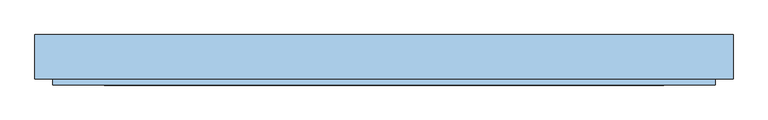
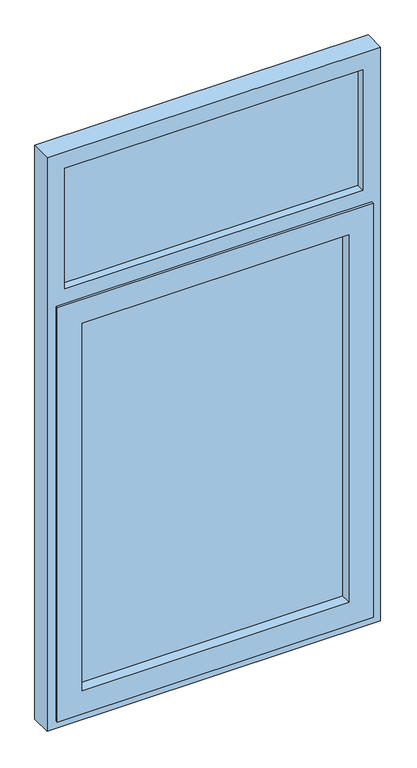
"""IFC4 building model written with IfcOpenShell, lengths in millimetres: window geometry."""

import ifcopenshell
import ifcopenshell.guid

model = None  # the IFC model being written
_history = None  # IfcOwnerHistory: only IFC2X3 demands one
_inside = {}  # id of a spatial element -> (the spatial element, [elements in it])
_under = {}  # id of a project, library or spatial element -> (it, [spatial elements below it])
_declared = {}  # id of a project -> (the project, [libraries it declares])
_typed = {}  # id of a type object -> (the type object, [elements of that type])
_made_of = {}  # id of a material, layer set ... -> (it, [elements and type objects made of it])


def new_model(schema):
    """Start an empty IFC model of exactly this schema.

    Asked for "IFC4X3", IfcOpenShell would pick the latest addendum, in which some entities
    have other attributes; the version numbers below select the first issue.
    IFC2X3 requires an IfcOwnerHistory on every rooted entity: one is made here for all.
    """
    global model, _history
    if schema == "IFC4X3":
        model = ifcopenshell.file(schema_version=(4, 3, 0, 0))
    else:
        model = ifcopenshell.file(schema=schema)
    _inside.clear()
    _under.clear()
    _declared.clear()
    _typed.clear()
    _made_of.clear()
    _history = None
    if model.schema == "IFC2X3":
        org = make("IfcOrganization", Name="unknown")
        user = make(
            "IfcPersonAndOrganization",
            ThePerson=make("IfcPerson", FamilyName="unknown"),
            TheOrganization=org,
        )
        app = make(
            "IfcApplication",
            ApplicationDeveloper=org,
            Version="unknown",
            ApplicationFullName="unknown",
            ApplicationIdentifier="unknown",
        )
        _history = make(
            "IfcOwnerHistory",
            OwningUser=user,
            OwningApplication=app,
            ChangeAction="ADDED",
            CreationDate=0,
        )
    return model


def make(cls, **values):
    """One entity of the class cls with the attributes given. An attribute that is None is left unset."""
    return model.create_entity(
        cls, **{name: value for name, value in values.items() if value is not None}
    )


def rooted(cls, **values):
    """An entity with a GlobalId (a new one), such as an element, a storey or a relation."""
    return make(cls, GlobalId=ifcopenshell.guid.new(), OwnerHistory=_history, **values)


def si_unit(unit_type, name, prefix=None):
    """IfcSIUnit, for example si_unit("LENGTHUNIT", "METRE", prefix="MILLI")."""
    return make("IfcSIUnit", UnitType=unit_type, Prefix=prefix, Name=name)


def assignment(units):
    """IfcUnitAssignment: the units of a project."""
    return None if units is None else make("IfcUnitAssignment", Units=units)


def point(xyz):
    """IfcCartesianPoint."""
    return None if xyz is None else make("IfcCartesianPoint", Coordinates=xyz)


def direction(xyz):
    """IfcDirection."""
    return None if xyz is None else make("IfcDirection", DirectionRatios=xyz)


def frame(location, z_axis=None, x_axis=None):
    """IfcAxis2Placement3D, a coordinate frame: its origin and axes. An axis left out is left unset."""
    return make(
        "IfcAxis2Placement3D",
        Location=point(location),
        Axis=direction(z_axis),
        RefDirection=direction(x_axis),
    )


def origin():
    """The frame at (0, 0, 0) with its axes left unset."""
    return frame((0.0, 0.0, 0.0))


def place(relative_to, where):
    """IfcLocalPlacement: puts the frame where relative to a parent placement (None: the world)."""
    return make(
        "IfcLocalPlacement", PlacementRelTo=relative_to, RelativePlacement=where
    )


def context(
    kind, dimensions, precision=None, world=None, true_north=None, identifier=None
):
    """IfcGeometricRepresentationContext, for example the 3D "Model" context."""
    return make(
        "IfcGeometricRepresentationContext",
        ContextIdentifier=identifier,
        ContextType=kind,
        CoordinateSpaceDimension=dimensions,
        Precision=precision,
        WorldCoordinateSystem=world,
        TrueNorth=true_north,
    )


def project(units=None, contexts=None):
    """IfcProject with its units and contexts."""
    return rooted(
        "IfcProject",
        Name="project",
        RepresentationContexts=contexts,
        UnitsInContext=assignment(units),
    )


def spatial(cls, under=None, at=None, **own):
    """A site, building, storey or space (cls), placed at a placement, below another one or the project."""
    s = rooted(cls, ObjectPlacement=at, **own)
    if under is not None:
        _under.setdefault(under.id(), (under, []))[1].append(s)
    return s


def polyline(points):
    """IfcPolyline through the points."""
    return make("IfcPolyline", Points=[point(p) for p in points])


def outline(outer, holes=None, kind="AREA"):
    """IfcArbitraryClosedProfileDef: a profile drawn as a closed curve; with holes, ...WithVoids."""
    if holes is None:
        return make("IfcArbitraryClosedProfileDef", ProfileType=kind, OuterCurve=outer)
    return make(
        "IfcArbitraryProfileDefWithVoids",
        ProfileType=kind,
        OuterCurve=outer,
        InnerCurves=holes,
    )


def extrude(swept, where, along, depth):
    """IfcExtrudedAreaSolid: the profile swept, set in the frame where, extruded along a direction by depth."""
    return make(
        "IfcExtrudedAreaSolid",
        SweptArea=swept,
        Position=where,
        ExtrudedDirection=direction(along),
        Depth=depth,
    )


def faces_of(points, faces, orient=None, outer=None):
    """IfcFace entities. A face is a list of loops; a loop is a list of indices into points, from 0.

    orient and outer hold one flag for each loop. By default every Orientation is true, the
    first loop of a face is its IfcFaceOuterBound and the others are IfcFaceBound.
    """
    made = []
    for i, loops in enumerate(faces):
        bounds = []
        for j, loop in enumerate(loops):
            is_outer = j == 0 if outer is None else outer[i][j]
            bounds.append(
                make(
                    "IfcFaceOuterBound" if is_outer else "IfcFaceBound",
                    Bound=make("IfcPolyLoop", Polygon=[points[k] for k in loop]),
                    Orientation=True if orient is None else orient[i][j],
                )
            )
        made.append(make("IfcFace", Bounds=bounds))
    return made


def faceted_brep(points, faces, orient=None, outer=None, voids=None):
    """IfcFacetedBrep: a solid bounded by flat faces; with voids (closed shells), ...WithVoids."""
    shared = [point(p) for p in points]
    hull = make("IfcClosedShell", CfsFaces=faces_of(shared, faces, orient, outer))
    if voids is None:
        return make("IfcFacetedBrep", Outer=hull)
    return make(
        "IfcFacetedBrepWithVoids",
        Outer=hull,
        Voids=[
            make(cls, CfsFaces=faces_of(shared, fs, o, b)) for cls, fs, o, b in voids
        ],
    )


def shape(context_of_items, identifier, shape_type, items):
    """IfcShapeRepresentation: the items that make up one representation, for example the "Body"."""
    return make(
        "IfcShapeRepresentation",
        ContextOfItems=context_of_items,
        RepresentationIdentifier=identifier,
        RepresentationType=shape_type,
        Items=items,
    )


def source(mapping_origin, context_of_items, identifier, shape_type, items):
    """IfcRepresentationMap: a shape defined once, which mapped items show again and again."""
    return make(
        "IfcRepresentationMap",
        MappingOrigin=mapping_origin,
        MappedRepresentation=shape(context_of_items, identifier, shape_type, items),
    )


def transform(
    local_origin,
    x_axis=None,
    y_axis=None,
    z_axis=None,
    scale=None,
    scale2=None,
    scale3=None,
    uniform=True,
):
    """IfcCartesianTransformationOperator3D, or its non-uniform kind. x_axis, y_axis, z_axis: its Axis1, 2, 3."""
    if uniform:
        return make(
            "IfcCartesianTransformationOperator3D",
            Axis1=direction(x_axis),
            Axis2=direction(y_axis),
            LocalOrigin=point(local_origin),
            Scale=scale,
            Axis3=direction(z_axis),
        )
    return make(
        "IfcCartesianTransformationOperator3DnonUniform",
        Axis1=direction(x_axis),
        Axis2=direction(y_axis),
        LocalOrigin=point(local_origin),
        Scale=scale,
        Axis3=direction(z_axis),
        Scale2=scale2,
        Scale3=scale3,
    )


def mapped(mapping_source, mapping_target):
    """IfcMappedItem: shows the shape of a source again, moved by a transform."""
    return make(
        "IfcMappedItem", MappingSource=mapping_source, MappingTarget=mapping_target
    )


def made_of(thing, what):
    """Note that an element or type object is made of a material, layer set ...; save() writes the relation."""
    if what is not None:
        _made_of.setdefault(what.id(), (what, []))[1].append(thing)
    return thing


def element(
    cls,
    number,
    at=None,
    inside=None,
    cuts=None,
    type_object=None,
    material=None,
    context=None,
    identifier="Body",
    shape_type=None,
    held_by="IfcProductDefinitionShape",
    body=None,
    shapes=None,
    **own,
):
    """One element of the class cls, such as IfcWall. Its Tag is "e" and its number.

    at: its placement. inside: the storey or other place that contains it. cuts: it is an
    opening in that element (IfcRelVoidsElement). A single representation is given by context,
    identifier, shape_type and body (its items); several are given by shapes. held_by: the class
    of the entity that holds the representations. save() writes the other relations.
    """
    e = rooted(cls, Tag="e%d" % number, ObjectPlacement=at, **own)
    if body is not None:
        shapes = [shape(context, identifier, shape_type, body)]
    if shapes is not None:
        e.Representation = make(held_by, Representations=shapes)
    if inside is not None:
        _inside.setdefault(inside.id(), (inside, []))[1].append(e)
    if cuts is not None:
        rooted(
            "IfcRelVoidsElement", RelatingBuildingElement=cuts, RelatedOpeningElement=e
        )
    if type_object is not None:
        _typed.setdefault(type_object.id(), (type_object, []))[1].append(e)
    return made_of(e, material)


def aggregate(whole, parts):
    """IfcRelAggregates: a whole, such as a stair, and the parts it consists of."""
    return rooted("IfcRelAggregates", RelatingObject=whole, RelatedObjects=parts)


def save(model, path):
    """Write the relations noted so far, then the file.

    IfcRelAggregates (storeys below a building ...), IfcRelContainedInSpatialStructure (elements
    in a storey), IfcRelDefinesByType, IfcRelAssociatesMaterial and IfcRelDeclares: one each for
    every whole, place, type object, material and project.
    """
    for whole, parts in _under.values():
        aggregate(whole, parts)
    for where, things in _inside.values():
        rooted(
            "IfcRelContainedInSpatialStructure",
            RelatedElements=things,
            RelatingStructure=where,
        )
    for kind, things in _typed.values():
        rooted("IfcRelDefinesByType", RelatedObjects=things, RelatingType=kind)
    for what, things in _made_of.values():
        rooted("IfcRelAssociatesMaterial", RelatedObjects=things, RelatingMaterial=what)
    for by, libraries in _declared.values():
        rooted("IfcRelDeclares", RelatingContext=by, RelatedDefinitions=libraries)
    model.write(path)


def window_4e5fc359(model_context):
    return source(origin(), model_context, "Body", "SolidModel", [
        extrude(outline(polyline([(-440.4, 27.0), (440.4, 27.0), (440.4, -9.0), (-440.4, -9.0), (-440.4, 27.0)])), frame((0.0, 0.0, 1009.6), z_axis=(0.0, 0.0, 1.0), x_axis=(1.0, 0.0, 0.0)), (0.0, 0.0, 1.0), 1280.8),
        faceted_brep([(-513.6, -35.0, 936.4), (-513.6, 30.0, 936.4), (-513.6, 30.0, 2422.02), (-513.6, 29.0, 2422.02), (-513.6, 29.0, 2351.72), (-513.6, -35.0, 2351.72), (513.6, -35.0, 936.4), (513.6, 30.0, 936.4), (491.6, 30.0, 2351.72), (-491.6, 30.0, 2351.72), (-491.6, 30.0, 2422.02), (513.6, 30.0, 2422.02), (491.6, 30.0, 2422.02), (-491.6, 30.0, 2341.62), (491.6, 30.0, 2341.62), (491.6, 30.0, 958.4), (-491.6, 30.0, 958.4), (-550.0, -35.0, 2900.0), (-550.0, -35.0, 900.0), (550.0, -35.0, 900.0), (550.0, -35.0, 2900.0), (513.6, -35.0, 2351.72), (491.6, -35.0, 2422.02), (-491.6, -35.0, 2422.02), (-491.6, -35.0, 2841.6), (491.6, -35.0, 2841.6), (-491.6, 35.0, 958.4), (-491.6, 35.0, 2341.62), (-491.6, 35.0, 2422.02), (-491.6, 35.0, 2841.6), (491.6, 35.0, 958.4), (-550.0, 35.0, 900.0), (-550.0, 35.0, 2900.0), (550.0, 35.0, 2900.0), (550.0, 35.0, 900.0), (491.6, 35.0, 2341.62), (491.6, 35.0, 2422.02), (491.6, 35.0, 2841.6), (513.6, 29.0, 2351.72), (513.6, 29.0, 2422.02), (-491.6, 29.0, 2422.02), (-491.6, 29.0, 2351.72), (491.6, 29.0, 2351.72), (491.6, 29.0, 2422.02)], [[[0, 1, 2, 3, 4, 5]], [[1, 0, 6, 7]], [[8, 9, 10, 2, 1, 7, 11, 12], [13, 14, 15, 16]], [[17, 18, 19, 20], [5, 21, 6, 0], [22, 23, 24, 25]], [[16, 26, 27, 13]], [[24, 23, 28, 29]], [[26, 16, 15, 30]], [[31, 32, 33, 34], [35, 27, 26, 30], [28, 36, 37, 29]], [[32, 31, 18, 17]], [[18, 31, 34, 19]], [[7, 6, 21, 38, 39, 11]], [[30, 15, 14, 35]], [[37, 36, 22, 25]], [[19, 34, 33, 20]], [[2, 10, 40, 3]], [[40, 41, 4, 3]], [[21, 5, 4, 41, 9, 8, 42, 38]], [[27, 35, 14, 13]], [[22, 36, 28, 23]], [[24, 29, 37, 25]], [[32, 17, 20, 33]], [[42, 43, 39, 38]], [[12, 11, 39, 43]], [[41, 40, 10, 9]], [[43, 42, 8, 12]]]),
        faceted_brep([(521.6, -35.0, 2371.6), (521.6, -44.5, 2371.6), (521.6, -44.5, 928.4), (521.6, -35.0, 928.4), (-521.6, -44.5, 2371.6), (-521.6, -44.5, 928.4), (440.4, -44.5, 2290.4), (440.4, -44.5, 1009.6), (-440.4, -44.5, 1009.6), (-440.4, -44.5, 2290.4), (-521.6, -35.0, 928.4), (-521.6, -35.0, 2371.6), (501.7, -35.0, 948.3), (501.7, -35.0, 2351.7), (-501.7, -35.0, 2351.7), (-501.7, -35.0, 948.3), (501.7, 30.0, 948.3), (501.7, 30.0, 2341.62), (501.7, 29.0, 2341.62), (501.7, 29.0, 2351.7), (-501.7, 30.0, 948.3), (-501.7, 30.0, 2341.62), (-491.6, 30.0, 2341.62), (-491.6, 30.0, 2351.7), (491.6, 30.0, 2351.7), (491.6, 30.0, 2341.62), (486.6, 30.0, 963.4), (486.6, 30.0, 2336.6), (-486.6, 30.0, 2336.6), (-486.6, 30.0, 963.4), (486.6, 35.0, 2336.6), (486.6, 35.0, 963.4), (-486.6, 35.0, 963.4), (-486.6, 35.0, 2336.6), (440.4, 35.0, 1009.6), (440.4, 35.0, 2290.4), (-440.4, 35.0, 2290.4), (-440.4, 35.0, 1009.6), (-501.7, 29.0, 2351.7), (-501.7, 29.0, 2341.62), (491.6, 29.0, 2341.62), (491.6, 29.0, 2351.7), (-491.6, 29.0, 2351.7), (-491.6, 29.0, 2341.62)], [[[0, 1, 2, 3]], [[2, 1, 4, 5], [6, 7, 8, 9]], [[3, 2, 5, 10]], [[0, 3, 10, 11], [12, 13, 14, 15]], [[13, 12, 16, 17, 18, 19]], [[16, 12, 15, 20]], [[16, 20, 21, 22, 23, 24, 25, 17], [26, 27, 28, 29]], [[30, 27, 26, 31]], [[31, 26, 29, 32]], [[30, 31, 32, 33], [34, 35, 36, 37]], [[6, 35, 34, 7]], [[7, 34, 37, 8]], [[10, 5, 4, 11]], [[20, 15, 14, 38, 39, 21]], [[32, 29, 28, 33]], [[8, 37, 36, 9]], [[1, 0, 11, 4]], [[40, 18, 17, 25]], [[18, 40, 41, 19]], [[14, 13, 19, 41, 24, 23, 42, 38]], [[27, 30, 33, 28]], [[42, 43, 39, 38]], [[39, 43, 22, 21]], [[41, 40, 25, 24]], [[43, 42, 23, 22]], [[35, 6, 9, 36]]]),
        extrude(outline(polyline([(491.6, -8.0), (-491.6, -8.0), (-491.6, 28.0), (491.6, 28.0), (491.6, -8.0)])), frame((0.0, 0.0, 2422.02), z_axis=(0.0, 0.0, 1.0), x_axis=(1.0, 0.0, 0.0)), (0.0, 0.0, 1.0), 419.58),
    ])


if __name__ == "__main__":
    model = new_model("IFC4")
    model_context = context("Model", 3, world=origin())
    ifc_project = project(units=[si_unit("LENGTHUNIT", "METRE", prefix="MILLI")], contexts=[model_context])
    site = spatial("IfcSite", under=ifc_project)
    building = spatial("IfcBuilding", under=site)
    placement = place(None, origin())
    window_shape = window_4e5fc359(model_context)
    element("IfcWindow", 1, at=placement, inside=building, context=model_context, shape_type="MappedRepresentation", body=[
        mapped(window_shape, transform((0.0, 0.0, 0.0), x_axis=(1.0, 0.0, 0.0), y_axis=(0.0, 1.0, 0.0), z_axis=(0.0, 0.0, 1.0))),
    ])
    save(model, "model.ifc")
